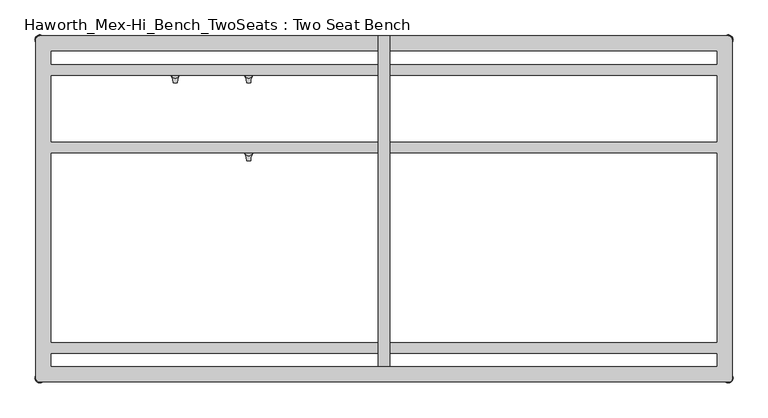
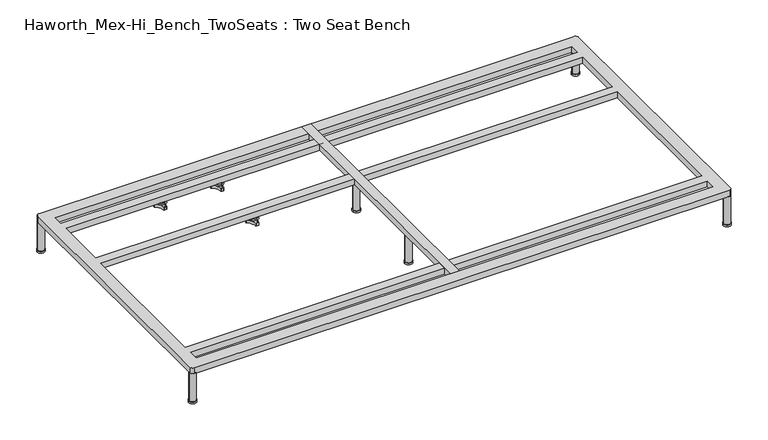
"""IFC4 building model written with IfcOpenShell, lengths in millimetres: furniture geometry, Haworth_Mex-Hi_Bench_TwoSeats : Two Seat Bench."""

from ifc_helpers import new_model, si_unit, point, frame, frame_2d, origin, origin_with_axes, place, context, project, spatial, polyline, circle_curve, trimmed, segment, composite_curve, outline, extrude, source, transform, mapped, element, save
from ifc_brep_helpers import plane_surface, cylinder_surface, revolved_surface, advanced_brep


def haworth_mex_hi_bench_twoseats_two_seat_bench_9e624aa6(model_context):
    return source(origin(), model_context, "Body", "SolidModel", [
        advanced_brep(
        [(-519.7611937, -130.2721038, 98.611642), (-523.9837819, -137.585841, 98.611642), (-523.585833, -138.7518724, 98.611642), (-507.7665623, -166.1516574, 98.611642), (-506.9557288, -167.0792988, 98.611642), (-498.5105502, -167.0792988, 98.611642), (-497.706022, -165.9895174, 98.611642), (-481.6037689, -138.4877144, 98.611642), (-481.4824919, -137.5858427, 98.611642), (-485.7050818, -130.2721023, 98.611642), (-486.9138653, -130.0337175, 98.611642), (-518.5524137, -130.0337175, 98.611642), (-493.360263, -145.1926245, 98.611642), (-512.2652749, -145.1926245, 98.611642), (-519.7611937, -130.2721038, 88.6531552), (-518.5524137, -130.0337175, 88.6531552), (-486.9138653, -130.0337175, 88.6531552), (-485.7050818, -130.2721023, 88.6531552), (-481.4824919, -137.5858427, 88.6531552), (-481.6037689, -138.4877144, 88.6531552), (-497.706022, -165.9895174, 88.6531552), (-498.5105502, -167.0792988, 88.6531552), (-506.9557288, -167.0792988, 88.6531552), (-507.7665623, -166.1516574, 88.6531552), (-523.585833, -138.7518724, 88.6531552), (-523.9837819, -137.585841, 88.6531552), (-512.2652749, -145.1926245, 103.6569541), (-493.360263, -145.1926245, 103.6569541)],
        [
            (0, 1, circle_curve(frame((-501.5017056, -145.690049, 98.611642), z_axis=(0.0, 0.0, 1.0), x_axis=(1.0, 0.0, 0.0)), 23.8981576)),
            (1, 2, circle_curve(frame((-523.0562233, -137.920202, 98.611642), z_axis=(0.0, 0.0, 1.0), x_axis=(1.0, 0.0, 0.0)), 0.9859828)),
            (2, 3, circle_curve(frame((-541.981203, -167.6389644, 98.611642), z_axis=(0.0, 0.0, -1.0), x_axis=(1.0, 0.0, 0.0)), 34.246952)),
            (3, 4, circle_curve(frame((-506.7815189, -166.1088376, 98.611642), z_axis=(0.0, 0.0, 1.0), x_axis=(1.0, 0.0, 0.0)), 0.9859736)),
            (4, 5, circle_curve(frame((-502.7331395, -143.5567534, 98.611642), z_axis=(0.0, 0.0, 1.0), x_axis=(1.0, 0.0, 0.0)), 23.8985439)),
            (5, 6, circle_curve(frame((-498.6847621, -166.1088262, 98.611642), z_axis=(0.0, 0.0, 1.0), x_axis=(1.0, 0.0, 0.0)), 0.9859852)),
            (6, 7, circle_curve(frame((-463.4843483, -167.5614211, 98.611642), z_axis=(0.0, 0.0, -1.0), x_axis=(1.0, 0.0, 0.0)), 34.2577557)),
            (7, 8, circle_curve(frame((-482.4100533, -137.9202011, 98.611642), z_axis=(0.0, 0.0, 1.0), x_axis=(1.0, 0.0, 0.0)), 0.9859847)),
            (8, 9, circle_curve(frame((-503.9641822, -145.6898258, 98.611642), z_axis=(0.0, 0.0, 1.0), x_axis=(1.0, 0.0, 0.0)), 23.8977184)),
            (9, 10, circle_curve(frame((-486.4584281, -130.9082171, 98.611642), z_axis=(0.0, 0.0, 1.0), x_axis=(1.0, 0.0, 0.0)), 0.9859881)),
            (10, 11, circle_curve(frame((-502.7331395, -99.6586209, 98.611642), z_axis=(0.0, 0.0, -1.0), x_axis=(1.0, 0.0, 0.0)), 34.2475683)),
            (11, 0, circle_curve(frame((-519.0078488, -130.9082131, 98.611642), z_axis=(0.0, 0.0, 1.0), x_axis=(1.0, 0.0, 0.0)), 0.9859835)),
            (12, 13, circle_curve(frame((-502.8127689, -145.1926245, 98.611642), z_axis=(0.0, 0.0, -1.0), x_axis=(1.0, 0.0, 0.0)), 9.452506)),
            (13, 12, circle_curve(frame((-502.8127689, -145.1926245, 98.611642), z_axis=(0.0, 0.0, -1.0), x_axis=(1.0, 0.0, 0.0)), 9.452506)),
            (14, 15, circle_curve(frame((-519.0078488, -130.9082131, 88.6531552), z_axis=(0.0, 0.0, -1.0), x_axis=(1.0, 0.0, 0.0)), 0.9859835)),
            (15, 16, circle_curve(frame((-502.7331395, -99.6586209, 88.6531552), z_axis=(0.0, 0.0, 1.0), x_axis=(1.0, 0.0, 0.0)), 34.2475683)),
            (16, 17, circle_curve(frame((-486.4584281, -130.9082171, 88.6531552), z_axis=(0.0, 0.0, -1.0), x_axis=(1.0, 0.0, 0.0)), 0.9859881)),
            (17, 18, circle_curve(frame((-503.9641822, -145.6898258, 88.6531552), z_axis=(0.0, 0.0, -1.0), x_axis=(1.0, 0.0, 0.0)), 23.8977184)),
            (18, 19, circle_curve(frame((-482.4100533, -137.9202011, 88.6531552), z_axis=(0.0, 0.0, -1.0), x_axis=(1.0, 0.0, 0.0)), 0.9859847)),
            (19, 20, circle_curve(frame((-463.4843483, -167.5614211, 88.6531552), z_axis=(0.0, 0.0, 1.0), x_axis=(1.0, 0.0, 0.0)), 34.2577557)),
            (20, 21, circle_curve(frame((-498.6847621, -166.1088262, 88.6531552), z_axis=(0.0, 0.0, -1.0), x_axis=(1.0, 0.0, 0.0)), 0.9859852)),
            (21, 22, circle_curve(frame((-502.7331395, -143.5567534, 88.6531552), z_axis=(0.0, 0.0, -1.0), x_axis=(1.0, 0.0, 0.0)), 23.8985439)),
            (22, 23, circle_curve(frame((-506.7815189, -166.1088376, 88.6531552), z_axis=(0.0, 0.0, -1.0), x_axis=(1.0, 0.0, 0.0)), 0.9859736)),
            (23, 24, circle_curve(frame((-541.981203, -167.6389644, 88.6531552), z_axis=(0.0, 0.0, 1.0), x_axis=(1.0, 0.0, 0.0)), 34.246952)),
            (24, 25, circle_curve(frame((-523.0562233, -137.920202, 88.6531552), z_axis=(0.0, 0.0, -1.0), x_axis=(1.0, 0.0, 0.0)), 0.9859828)),
            (25, 14, circle_curve(frame((-501.5017056, -145.690049, 88.6531552), z_axis=(0.0, 0.0, -1.0), x_axis=(1.0, 0.0, 0.0)), 23.8981576)),
            (26, 27, circle_curve(frame((-502.8127689, -145.1926245, 103.6569541), z_axis=(0.0, 0.0, 1.0), x_axis=(1.0, 0.0, 0.0)), 9.452506)),
            (27, 26, circle_curve(frame((-502.8127689, -145.1926245, 103.6569541), z_axis=(0.0, 0.0, 1.0), x_axis=(1.0, 0.0, 0.0)), 9.452506)),
            (0, 14),
            (25, 1),
            (24, 2),
            (23, 3),
            (22, 4),
            (21, 5),
            (20, 6),
            (19, 7),
            (18, 8),
            (17, 9),
            (16, 10),
            (15, 11),
            (26, 13),
            (12, 27),
        ],
        [
            plane_surface(frame((-477.603548, -145.690049, 98.611642), z_axis=(0.0, 0.0, 1.0), x_axis=(0.0, 1.0, 0.0))),
            plane_surface(frame((-477.603548, -145.690049, 88.6531552), z_axis=(0.0, 0.0, -1.0), x_axis=(0.0, -1.0, 0.0))),
            plane_surface(frame((-493.360263, -145.1926245, 103.6569541), z_axis=(0.0, 0.0, 1.0), x_axis=(0.0, 1.0, 0.0))),
            cylinder_surface(frame((-501.5017056, -145.690049, 88.6531552), z_axis=(0.0, 0.0, 1.0), x_axis=(1.0, 0.0, 0.0)), 23.8981576),
            cylinder_surface(frame((-523.0562233, -137.920202, 88.6531552), z_axis=(0.0, 0.0, 1.0), x_axis=(1.0, 0.0, 0.0)), 0.9859828),
            revolved_surface(polyline([(-507.73425100000003, -167.6389644, 88.6531552), (-507.73425100000003, -167.6389644, 98.611642)]), (-541.981203, -167.6389644, 88.6531552), (0.0, 0.0, -1.0)),
            cylinder_surface(frame((-506.7815189, -166.1088376, 88.6531552), z_axis=(0.0, 0.0, 1.0), x_axis=(1.0, 0.0, 0.0)), 0.9859736),
            cylinder_surface(frame((-502.7331395, -143.5567534, 88.6531552), z_axis=(0.0, 0.0, 1.0), x_axis=(1.0, 0.0, 0.0)), 23.8985439),
            cylinder_surface(frame((-498.6847621, -166.1088262, 88.6531552), z_axis=(0.0, 0.0, 1.0), x_axis=(1.0, 0.0, 0.0)), 0.9859852),
            revolved_surface(polyline([(-429.2265926, -167.5614211, 88.6531552), (-429.2265926, -167.5614211, 98.611642)]), (-463.4843483, -167.5614211, 88.6531552), (0.0, 0.0, -1.0)),
            cylinder_surface(frame((-482.4100533, -137.9202011, 88.6531552), z_axis=(0.0, 0.0, 1.0), x_axis=(1.0, 0.0, 0.0)), 0.9859847),
            cylinder_surface(frame((-503.9641822, -145.6898258, 88.6531552), z_axis=(0.0, 0.0, 1.0), x_axis=(1.0, 0.0, 0.0)), 23.8977184),
            cylinder_surface(frame((-486.4584281, -130.9082171, 88.6531552), z_axis=(0.0, 0.0, 1.0), x_axis=(1.0, 0.0, 0.0)), 0.9859881),
            revolved_surface(polyline([(-468.4855712, -99.6586209, 88.6531552), (-468.4855712, -99.6586209, 98.611642)]), (-502.7331395, -99.6586209, 88.6531552), (0.0, 0.0, -1.0)),
            cylinder_surface(frame((-519.0078488, -130.9082131, 88.6531552), z_axis=(0.0, 0.0, 1.0), x_axis=(1.0, 0.0, 0.0)), 0.9859835),
            cylinder_surface(frame((-502.8127689, -145.1926245, 98.611642), z_axis=(0.0, 0.0, 1.0), x_axis=(1.0, 0.0, 0.0)), 9.452506),
        ],
        [
            (0, [[1, 2, 3, 4, 5, 6, 7, 8, 9, 10, 11, 12], [13, 14]]),
            (1, [[15, 16, 17, 18, 19, 20, 21, 22, 23, 24, 25, 26]]),
            (2, [[27, 28]]),
            (3, [[-1, 29, -26, 30]]),
            (4, [[-2, -30, -25, 31]]),
            (5, [[-3, -31, -24, 32]]),
            (6, [[-4, -32, -23, 33]]),
            (7, [[-5, -33, -22, 34]]),
            (8, [[-6, -34, -21, 35]]),
            (9, [[-7, -35, -20, 36]]),
            (10, [[-8, -36, -19, 37]]),
            (11, [[-9, -37, -18, 38]]),
            (12, [[-10, -38, -17, 39]]),
            (13, [[-11, -39, -16, 40]]),
            (14, [[-12, -40, -15, -29]]),
            (15, [[-27, 41, -13, 42]]),
            (15, [[-28, -42, -14, -41]]),
        ],
    ),
        advanced_brep(
        [(-519.7611937, 69.7278978, 98.611642), (-523.9837819, 62.4141605, 98.611642), (-523.585833, 61.2481292, 98.611642), (-507.7665623, 33.8483441, 98.611642), (-506.9557288, 32.9207027, 98.611642), (-498.5105502, 32.9207027, 98.611642), (-497.706022, 34.0104841, 98.611642), (-481.6037689, 61.5122871, 98.611642), (-481.4824919, 62.4141588, 98.611642), (-485.7050818, 69.7278992, 98.611642), (-486.9138653, 69.966284, 98.611642), (-518.5524137, 69.966284, 98.611642), (-493.360263, 54.807377, 98.611642), (-512.2652749, 54.807377, 98.611642), (-519.7611937, 69.7278978, 88.6531552), (-518.5524137, 69.966284, 88.6531552), (-486.9138653, 69.966284, 88.6531552), (-485.7050818, 69.7278992, 88.6531552), (-481.4824919, 62.4141588, 88.6531552), (-481.6037689, 61.5122871, 88.6531552), (-497.706022, 34.0104841, 88.6531552), (-498.5105502, 32.9207027, 88.6531552), (-506.9557288, 32.9207027, 88.6531552), (-507.7665623, 33.8483441, 88.6531552), (-523.585833, 61.2481292, 88.6531552), (-523.9837819, 62.4141605, 88.6531552), (-512.2652749, 54.807377, 103.6569541), (-493.360263, 54.807377, 103.6569541)],
        [
            (0, 1, circle_curve(frame((-501.5017056, 54.3099526, 98.611642), z_axis=(0.0, 0.0, 1.0), x_axis=(1.0, 0.0, 0.0)), 23.8981576)),
            (1, 2, circle_curve(frame((-523.0562233, 62.0797996, 98.611642), z_axis=(0.0, 0.0, 1.0), x_axis=(1.0, 0.0, 0.0)), 0.9859828)),
            (2, 3, circle_curve(frame((-541.981203, 32.3610372, 98.611642), z_axis=(0.0, 0.0, -1.0), x_axis=(1.0, 0.0, 0.0)), 34.246952)),
            (3, 4, circle_curve(frame((-506.7815189, 33.8911639, 98.611642), z_axis=(0.0, 0.0, 1.0), x_axis=(1.0, 0.0, 0.0)), 0.9859736)),
            (4, 5, circle_curve(frame((-502.7331395, 56.4432481, 98.611642), z_axis=(0.0, 0.0, 1.0), x_axis=(1.0, 0.0, 0.0)), 23.8985439)),
            (5, 6, circle_curve(frame((-498.6847621, 33.8911753, 98.611642), z_axis=(0.0, 0.0, 1.0), x_axis=(1.0, 0.0, 0.0)), 0.9859852)),
            (6, 7, circle_curve(frame((-463.4843483, 32.4385804, 98.611642), z_axis=(0.0, 0.0, -1.0), x_axis=(1.0, 0.0, 0.0)), 34.2577557)),
            (7, 8, circle_curve(frame((-482.4100533, 62.0798004, 98.611642), z_axis=(0.0, 0.0, 1.0), x_axis=(1.0, 0.0, 0.0)), 0.9859847)),
            (8, 9, circle_curve(frame((-503.9641822, 54.3101757, 98.611642), z_axis=(0.0, 0.0, 1.0), x_axis=(1.0, 0.0, 0.0)), 23.8977184)),
            (9, 10, circle_curve(frame((-486.4584281, 69.0917844, 98.611642), z_axis=(0.0, 0.0, 1.0), x_axis=(1.0, 0.0, 0.0)), 0.9859881)),
            (10, 11, circle_curve(frame((-502.7331395, 100.3413806, 98.611642), z_axis=(0.0, 0.0, -1.0), x_axis=(1.0, 0.0, 0.0)), 34.2475683)),
            (11, 0, circle_curve(frame((-519.0078488, 69.0917885, 98.611642), z_axis=(0.0, 0.0, 1.0), x_axis=(1.0, 0.0, 0.0)), 0.9859835)),
            (12, 13, circle_curve(frame((-502.8127689, 54.807377, 98.611642), z_axis=(0.0, 0.0, -1.0), x_axis=(1.0, 0.0, 0.0)), 9.452506)),
            (13, 12, circle_curve(frame((-502.8127689, 54.807377, 98.611642), z_axis=(0.0, 0.0, -1.0), x_axis=(1.0, 0.0, 0.0)), 9.452506)),
            (14, 15, circle_curve(frame((-519.0078488, 69.0917885, 88.6531552), z_axis=(0.0, 0.0, -1.0), x_axis=(1.0, 0.0, 0.0)), 0.9859835)),
            (15, 16, circle_curve(frame((-502.7331395, 100.3413806, 88.6531552), z_axis=(0.0, 0.0, 1.0), x_axis=(1.0, 0.0, 0.0)), 34.2475683)),
            (16, 17, circle_curve(frame((-486.4584281, 69.0917844, 88.6531552), z_axis=(0.0, 0.0, -1.0), x_axis=(1.0, 0.0, 0.0)), 0.9859881)),
            (17, 18, circle_curve(frame((-503.9641822, 54.3101757, 88.6531552), z_axis=(0.0, 0.0, -1.0), x_axis=(1.0, 0.0, 0.0)), 23.8977184)),
            (18, 19, circle_curve(frame((-482.4100533, 62.0798004, 88.6531552), z_axis=(0.0, 0.0, -1.0), x_axis=(1.0, 0.0, 0.0)), 0.9859847)),
            (19, 20, circle_curve(frame((-463.4843483, 32.4385804, 88.6531552), z_axis=(0.0, 0.0, 1.0), x_axis=(1.0, 0.0, 0.0)), 34.2577557)),
            (20, 21, circle_curve(frame((-498.6847621, 33.8911753, 88.6531552), z_axis=(0.0, 0.0, -1.0), x_axis=(1.0, 0.0, 0.0)), 0.9859852)),
            (21, 22, circle_curve(frame((-502.7331395, 56.4432481, 88.6531552), z_axis=(0.0, 0.0, -1.0), x_axis=(1.0, 0.0, 0.0)), 23.8985439)),
            (22, 23, circle_curve(frame((-506.7815189, 33.8911639, 88.6531552), z_axis=(0.0, 0.0, -1.0), x_axis=(1.0, 0.0, 0.0)), 0.9859736)),
            (23, 24, circle_curve(frame((-541.981203, 32.3610372, 88.6531552), z_axis=(0.0, 0.0, 1.0), x_axis=(1.0, 0.0, 0.0)), 34.246952)),
            (24, 25, circle_curve(frame((-523.0562233, 62.0797996, 88.6531552), z_axis=(0.0, 0.0, -1.0), x_axis=(1.0, 0.0, 0.0)), 0.9859828)),
            (25, 14, circle_curve(frame((-501.5017056, 54.3099526, 88.6531552), z_axis=(0.0, 0.0, -1.0), x_axis=(1.0, 0.0, 0.0)), 23.8981576)),
            (26, 27, circle_curve(frame((-502.8127689, 54.807377, 103.6569541), z_axis=(0.0, 0.0, 1.0), x_axis=(1.0, 0.0, 0.0)), 9.452506)),
            (27, 26, circle_curve(frame((-502.8127689, 54.807377, 103.6569541), z_axis=(0.0, 0.0, 1.0), x_axis=(1.0, 0.0, 0.0)), 9.452506)),
            (0, 14),
            (25, 1),
            (24, 2),
            (23, 3),
            (22, 4),
            (21, 5),
            (20, 6),
            (19, 7),
            (18, 8),
            (17, 9),
            (16, 10),
            (15, 11),
            (26, 13),
            (12, 27),
        ],
        [
            plane_surface(frame((-477.603548, 54.3099526, 98.611642), z_axis=(0.0, 0.0, 1.0), x_axis=(0.0, 1.0, 0.0))),
            plane_surface(frame((-477.603548, 54.3099526, 88.6531552), z_axis=(0.0, 0.0, -1.0), x_axis=(0.0, -1.0, 0.0))),
            plane_surface(frame((-493.360263, 54.807377, 103.6569541), z_axis=(0.0, 0.0, 1.0), x_axis=(0.0, 1.0, 0.0))),
            cylinder_surface(frame((-501.5017056, 54.3099526, 88.6531552), z_axis=(0.0, 0.0, 1.0), x_axis=(1.0, 0.0, 0.0)), 23.8981576),
            cylinder_surface(frame((-523.0562233, 62.0797996, 88.6531552), z_axis=(0.0, 0.0, 1.0), x_axis=(1.0, 0.0, 0.0)), 0.9859828),
            revolved_surface(polyline([(-507.73425100000003, 32.3610372, 88.6531552), (-507.73425100000003, 32.3610372, 98.611642)]), (-541.981203, 32.3610372, 88.6531552), (0.0, 0.0, -1.0)),
            cylinder_surface(frame((-506.7815189, 33.8911639, 88.6531552), z_axis=(0.0, 0.0, 1.0), x_axis=(1.0, 0.0, 0.0)), 0.9859736),
            cylinder_surface(frame((-502.7331395, 56.4432481, 88.6531552), z_axis=(0.0, 0.0, 1.0), x_axis=(1.0, 0.0, 0.0)), 23.8985439),
            cylinder_surface(frame((-498.6847621, 33.8911753, 88.6531552), z_axis=(0.0, 0.0, 1.0), x_axis=(1.0, 0.0, 0.0)), 0.9859852),
            revolved_surface(polyline([(-429.2265926, 32.4385804, 88.6531552), (-429.2265926, 32.4385804, 98.611642)]), (-463.4843483, 32.4385804, 88.6531552), (0.0, 0.0, -1.0)),
            cylinder_surface(frame((-482.4100533, 62.0798004, 88.6531552), z_axis=(0.0, 0.0, 1.0), x_axis=(1.0, 0.0, 0.0)), 0.9859847),
            cylinder_surface(frame((-503.9641822, 54.3101757, 88.6531552), z_axis=(0.0, 0.0, 1.0), x_axis=(1.0, 0.0, 0.0)), 23.8977184),
            cylinder_surface(frame((-486.4584281, 69.0917844, 88.6531552), z_axis=(0.0, 0.0, 1.0), x_axis=(1.0, 0.0, 0.0)), 0.9859881),
            revolved_surface(polyline([(-468.4855712, 100.3413806, 88.6531552), (-468.4855712, 100.3413806, 98.611642)]), (-502.7331395, 100.3413806, 88.6531552), (0.0, 0.0, -1.0)),
            cylinder_surface(frame((-519.0078488, 69.0917885, 88.6531552), z_axis=(0.0, 0.0, 1.0), x_axis=(1.0, 0.0, 0.0)), 0.9859835),
            cylinder_surface(frame((-502.8127689, 54.807377, 98.611642), z_axis=(0.0, 0.0, 1.0), x_axis=(1.0, 0.0, 0.0)), 9.452506),
        ],
        [
            (0, [[1, 2, 3, 4, 5, 6, 7, 8, 9, 10, 11, 12], [13, 14]]),
            (1, [[15, 16, 17, 18, 19, 20, 21, 22, 23, 24, 25, 26]]),
            (2, [[27, 28]]),
            (3, [[-1, 29, -26, 30]]),
            (4, [[-2, -30, -25, 31]]),
            (5, [[-3, -31, -24, 32]]),
            (6, [[-4, -32, -23, 33]]),
            (7, [[-5, -33, -22, 34]]),
            (8, [[-6, -34, -21, 35]]),
            (9, [[-7, -35, -20, 36]]),
            (10, [[-8, -36, -19, 37]]),
            (11, [[-9, -37, -18, 38]]),
            (12, [[-10, -38, -17, 39]]),
            (13, [[-11, -39, -16, 40]]),
            (14, [[-12, -40, -15, -29]]),
            (15, [[-27, 41, -13, 42]]),
            (15, [[-28, -42, -14, -41]]),
        ],
    ),
        advanced_brep(
        [(-708.6567178, 69.7278978, 98.611642), (-712.879306, 62.4141605, 98.611642), (-712.4813572, 61.2481292, 98.611642), (-696.6620864, 33.8483441, 98.611642), (-695.8512529, 32.9207027, 98.611642), (-687.4060744, 32.9207027, 98.611642), (-686.6015461, 34.0104841, 98.611642), (-670.4992931, 61.5122871, 98.611642), (-670.378016, 62.4141588, 98.611642), (-674.600606, 69.7278992, 98.611642), (-675.8093894, 69.966284, 98.611642), (-707.4479379, 69.966284, 98.611642), (-682.2557871, 54.807377, 98.611642), (-701.160799, 54.807377, 98.611642), (-708.6567178, 69.7278978, 88.6531552), (-707.4479379, 69.966284, 88.6531552), (-675.8093894, 69.966284, 88.6531552), (-674.600606, 69.7278992, 88.6531552), (-670.378016, 62.4141588, 88.6531552), (-670.4992931, 61.5122871, 88.6531552), (-686.6015461, 34.0104841, 88.6531552), (-687.4060744, 32.9207027, 88.6531552), (-695.8512529, 32.9207027, 88.6531552), (-696.6620864, 33.8483441, 88.6531552), (-712.4813572, 61.2481292, 88.6531552), (-712.879306, 62.4141605, 88.6531552), (-701.160799, 54.807377, 103.6569541), (-682.2557871, 54.807377, 103.6569541)],
        [
            (0, 1, circle_curve(frame((-690.3972298, 54.3099526, 98.611642), z_axis=(0.0, 0.0, 1.0), x_axis=(1.0, 0.0, 0.0)), 23.8981576)),
            (1, 2, circle_curve(frame((-711.9517474, 62.0797996, 98.611642), z_axis=(0.0, 0.0, 1.0), x_axis=(1.0, 0.0, 0.0)), 0.9859828)),
            (2, 3, circle_curve(frame((-730.8767271, 32.3610372, 98.611642), z_axis=(0.0, 0.0, -1.0), x_axis=(1.0, 0.0, 0.0)), 34.246952)),
            (3, 4, circle_curve(frame((-695.6770431, 33.8911639, 98.611642), z_axis=(0.0, 0.0, 1.0), x_axis=(1.0, 0.0, 0.0)), 0.9859736)),
            (4, 5, circle_curve(frame((-691.6286636, 56.4432481, 98.611642), z_axis=(0.0, 0.0, 1.0), x_axis=(1.0, 0.0, 0.0)), 23.8985439)),
            (5, 6, circle_curve(frame((-687.5802862, 33.8911753, 98.611642), z_axis=(0.0, 0.0, 1.0), x_axis=(1.0, 0.0, 0.0)), 0.9859852)),
            (6, 7, circle_curve(frame((-652.3798725, 32.4385804, 98.611642), z_axis=(0.0, 0.0, -1.0), x_axis=(1.0, 0.0, 0.0)), 34.2577557)),
            (7, 8, circle_curve(frame((-671.3055775, 62.0798004, 98.611642), z_axis=(0.0, 0.0, 1.0), x_axis=(1.0, 0.0, 0.0)), 0.9859847)),
            (8, 9, circle_curve(frame((-692.8597064, 54.3101757, 98.611642), z_axis=(0.0, 0.0, 1.0), x_axis=(1.0, 0.0, 0.0)), 23.8977184)),
            (9, 10, circle_curve(frame((-675.3539522, 69.0917844, 98.611642), z_axis=(0.0, 0.0, 1.0), x_axis=(1.0, 0.0, 0.0)), 0.9859881)),
            (10, 11, circle_curve(frame((-691.6286636, 100.3413806, 98.611642), z_axis=(0.0, 0.0, -1.0), x_axis=(1.0, 0.0, 0.0)), 34.2475683)),
            (11, 0, circle_curve(frame((-707.9033729, 69.0917885, 98.611642), z_axis=(0.0, 0.0, 1.0), x_axis=(1.0, 0.0, 0.0)), 0.9859835)),
            (12, 13, circle_curve(frame((-691.7082931, 54.807377, 98.611642), z_axis=(0.0, 0.0, -1.0), x_axis=(1.0, 0.0, 0.0)), 9.452506)),
            (13, 12, circle_curve(frame((-691.7082931, 54.807377, 98.611642), z_axis=(0.0, 0.0, -1.0), x_axis=(1.0, 0.0, 0.0)), 9.452506)),
            (14, 15, circle_curve(frame((-707.9033729, 69.0917885, 88.6531552), z_axis=(0.0, 0.0, -1.0), x_axis=(1.0, 0.0, 0.0)), 0.9859835)),
            (15, 16, circle_curve(frame((-691.6286636, 100.3413806, 88.6531552), z_axis=(0.0, 0.0, 1.0), x_axis=(1.0, 0.0, 0.0)), 34.2475683)),
            (16, 17, circle_curve(frame((-675.3539522, 69.0917844, 88.6531552), z_axis=(0.0, 0.0, -1.0), x_axis=(1.0, 0.0, 0.0)), 0.9859881)),
            (17, 18, circle_curve(frame((-692.8597064, 54.3101757, 88.6531552), z_axis=(0.0, 0.0, -1.0), x_axis=(1.0, 0.0, 0.0)), 23.8977184)),
            (18, 19, circle_curve(frame((-671.3055775, 62.0798004, 88.6531552), z_axis=(0.0, 0.0, -1.0), x_axis=(1.0, 0.0, 0.0)), 0.9859847)),
            (19, 20, circle_curve(frame((-652.3798725, 32.4385804, 88.6531552), z_axis=(0.0, 0.0, 1.0), x_axis=(1.0, 0.0, 0.0)), 34.2577557)),
            (20, 21, circle_curve(frame((-687.5802862, 33.8911753, 88.6531552), z_axis=(0.0, 0.0, -1.0), x_axis=(1.0, 0.0, 0.0)), 0.9859852)),
            (21, 22, circle_curve(frame((-691.6286636, 56.4432481, 88.6531552), z_axis=(0.0, 0.0, -1.0), x_axis=(1.0, 0.0, 0.0)), 23.8985439)),
            (22, 23, circle_curve(frame((-695.6770431, 33.8911639, 88.6531552), z_axis=(0.0, 0.0, -1.0), x_axis=(1.0, 0.0, 0.0)), 0.9859736)),
            (23, 24, circle_curve(frame((-730.8767271, 32.3610372, 88.6531552), z_axis=(0.0, 0.0, 1.0), x_axis=(1.0, 0.0, 0.0)), 34.246952)),
            (24, 25, circle_curve(frame((-711.9517474, 62.0797996, 88.6531552), z_axis=(0.0, 0.0, -1.0), x_axis=(1.0, 0.0, 0.0)), 0.9859828)),
            (25, 14, circle_curve(frame((-690.3972298, 54.3099526, 88.6531552), z_axis=(0.0, 0.0, -1.0), x_axis=(1.0, 0.0, 0.0)), 23.8981576)),
            (26, 27, circle_curve(frame((-691.7082931, 54.807377, 103.6569541), z_axis=(0.0, 0.0, 1.0), x_axis=(1.0, 0.0, 0.0)), 9.452506)),
            (27, 26, circle_curve(frame((-691.7082931, 54.807377, 103.6569541), z_axis=(0.0, 0.0, 1.0), x_axis=(1.0, 0.0, 0.0)), 9.452506)),
            (0, 14),
            (25, 1),
            (24, 2),
            (23, 3),
            (22, 4),
            (21, 5),
            (20, 6),
            (19, 7),
            (18, 8),
            (17, 9),
            (16, 10),
            (15, 11),
            (26, 13),
            (12, 27),
        ],
        [
            plane_surface(frame((-666.4990722, 54.3099526, 98.611642), z_axis=(0.0, 0.0, 1.0), x_axis=(0.0, 1.0, 0.0))),
            plane_surface(frame((-666.4990722, 54.3099526, 88.6531552), z_axis=(0.0, 0.0, -1.0), x_axis=(0.0, -1.0, 0.0))),
            plane_surface(frame((-682.2557871, 54.807377, 103.6569541), z_axis=(0.0, 0.0, 1.0), x_axis=(0.0, 1.0, 0.0))),
            cylinder_surface(frame((-690.3972298, 54.3099526, 88.6531552), z_axis=(0.0, 0.0, 1.0), x_axis=(1.0, 0.0, 0.0)), 23.8981576),
            cylinder_surface(frame((-711.9517474, 62.0797996, 88.6531552), z_axis=(0.0, 0.0, 1.0), x_axis=(1.0, 0.0, 0.0)), 0.9859828),
            revolved_surface(polyline([(-696.6297751000001, 32.3610372, 88.6531552), (-696.6297751000001, 32.3610372, 98.611642)]), (-730.8767271, 32.3610372, 88.6531552), (0.0, 0.0, -1.0)),
            cylinder_surface(frame((-695.6770431, 33.8911639, 88.6531552), z_axis=(0.0, 0.0, 1.0), x_axis=(1.0, 0.0, 0.0)), 0.9859736),
            cylinder_surface(frame((-691.6286636, 56.4432481, 88.6531552), z_axis=(0.0, 0.0, 1.0), x_axis=(1.0, 0.0, 0.0)), 23.8985439),
            cylinder_surface(frame((-687.5802862, 33.8911753, 88.6531552), z_axis=(0.0, 0.0, 1.0), x_axis=(1.0, 0.0, 0.0)), 0.9859852),
            revolved_surface(polyline([(-618.1221168000001, 32.4385804, 88.6531552), (-618.1221168000001, 32.4385804, 98.611642)]), (-652.3798725, 32.4385804, 88.6531552), (0.0, 0.0, -1.0)),
            cylinder_surface(frame((-671.3055775, 62.0798004, 88.6531552), z_axis=(0.0, 0.0, 1.0), x_axis=(1.0, 0.0, 0.0)), 0.9859847),
            cylinder_surface(frame((-692.8597064, 54.3101757, 88.6531552), z_axis=(0.0, 0.0, 1.0), x_axis=(1.0, 0.0, 0.0)), 23.8977184),
            cylinder_surface(frame((-675.3539522, 69.0917844, 88.6531552), z_axis=(0.0, 0.0, 1.0), x_axis=(1.0, 0.0, 0.0)), 0.9859881),
            revolved_surface(polyline([(-657.3810953, 100.3413806, 88.6531552), (-657.3810953, 100.3413806, 98.611642)]), (-691.6286636, 100.3413806, 88.6531552), (0.0, 0.0, -1.0)),
            cylinder_surface(frame((-707.9033729, 69.0917885, 88.6531552), z_axis=(0.0, 0.0, 1.0), x_axis=(1.0, 0.0, 0.0)), 0.9859835),
            cylinder_surface(frame((-691.7082931, 54.807377, 98.611642), z_axis=(0.0, 0.0, 1.0), x_axis=(1.0, 0.0, 0.0)), 9.452506),
        ],
        [
            (0, [[1, 2, 3, 4, 5, 6, 7, 8, 9, 10, 11, 12], [13, 14]]),
            (1, [[15, 16, 17, 18, 19, 20, 21, 22, 23, 24, 25, 26]]),
            (2, [[27, 28]]),
            (3, [[-1, 29, -26, 30]]),
            (4, [[-2, -30, -25, 31]]),
            (5, [[-3, -31, -24, 32]]),
            (6, [[-4, -32, -23, 33]]),
            (7, [[-5, -33, -22, 34]]),
            (8, [[-6, -34, -21, 35]]),
            (9, [[-7, -35, -20, 36]]),
            (10, [[-8, -36, -19, 37]]),
            (11, [[-9, -37, -18, 38]]),
            (12, [[-10, -38, -17, 39]]),
            (13, [[-11, -39, -16, 40]]),
            (14, [[-12, -40, -15, -29]]),
            (15, [[-27, 41, -13, 42]]),
            (15, [[-28, -42, -14, -41]]),
        ],
    ),
        extrude(outline(composite_curve([segment(trimmed(circle_curve(frame_2d((-155.4452882, -433.7002937)), 10.4664203), [point((-165.9117085, -433.7002937))], [point((-144.9788678, -433.7002937))], False, "CARTESIAN"), True, "CONTINUOUS"), segment(trimmed(circle_curve(frame_2d((-155.4452882, -433.7002937)), 10.4664203), [point((-144.9788678, -433.7002937))], [point((-165.9117085, -433.7002937))], False, "CARTESIAN"), True, "CONTINUOUS")], self_intersect=False)), origin_with_axes(), (0.0, 0.0, 1.0), 103.6569541),
        extrude(outline(composite_curve([segment(trimmed(circle_curve(frame_2d((-155.4452882, -133.6667163)), 10.4664203), [point((-165.9117085, -133.6667163))], [point((-144.9788678, -133.6667163))], False, "CARTESIAN"), True, "CONTINUOUS"), segment(trimmed(circle_curve(frame_2d((-155.4452882, -133.6667163)), 10.4664203), [point((-144.9788678, -133.6667163))], [point((-165.9117085, -133.6667163))], False, "CARTESIAN"), True, "CONTINUOUS")], self_intersect=False)), origin_with_axes(), (0.0, 0.0, 1.0), 103.6569541),
        extrude(outline(composite_curve([segment(trimmed(circle_curve(frame_2d((-155.4452882, -433.7002937)), 12.5000005), [point((-167.9452886, -433.7002937))], [point((-142.9452877, -433.7002937))], False, "CARTESIAN"), True, "CONTINUOUS"), segment(trimmed(circle_curve(frame_2d((-155.4452882, -433.7002937)), 12.5000005), [point((-142.9452877, -433.7002937))], [point((-167.9452886, -433.7002937))], False, "CARTESIAN"), True, "CONTINUOUS")], self_intersect=False)), origin_with_axes(), (0.0, 0.0, 1.0), 6.0),
        extrude(outline(composite_curve([segment(trimmed(circle_curve(frame_2d((-155.4452882, -133.6667163)), 12.5000005), [point((-167.9452886, -133.6667163))], [point((-142.9452877, -133.6667163))], False, "CARTESIAN"), True, "CONTINUOUS"), segment(trimmed(circle_curve(frame_2d((-155.4452882, -133.6667163)), 12.5000005), [point((-142.9452877, -133.6667163))], [point((-167.9452886, -133.6667163))], False, "CARTESIAN"), True, "CONTINUOUS")], self_intersect=False)), origin_with_axes(), (0.0, 0.0, 1.0), 6.0),
        extrude(outline(polyline([(-169.7406049, -696.2002953), (-169.7406049, 153.6358637), (-139.7406192, 153.6358637), (-139.7406192, -696.2002953), (-169.7406049, -696.2002953)])), frame((0.0, 0.0, 103.6569541), z_axis=(0.0, 0.0, 1.0), x_axis=(1.0, 0.0, 0.0)), (0.0, 0.0, 1.0), 20.3430443),
        extrude(outline(composite_curve([segment(trimmed(circle_curve(frame_2d((-1040.100311, 143.787786)), 12.5000005), [point((-1052.6003115, 143.787786))], [point((-1027.6003105, 143.787786))], False, "CARTESIAN"), True, "CONTINUOUS"), segment(trimmed(circle_curve(frame_2d((-1040.100311, 143.787786)), 12.5000005), [point((-1027.6003105, 143.787786))], [point((-1052.6003115, 143.787786))], False, "CARTESIAN"), True, "CONTINUOUS")], self_intersect=False)), origin_with_axes(), (0.0, 0.0, 1.0), 6.0),
        extrude(outline(composite_curve([segment(trimmed(circle_curve(frame_2d((-1040.100311, -726.2491859)), 12.5000005), [point((-1052.6003115, -726.2491859))], [point((-1027.6003105, -726.2491859))], False, "CARTESIAN"), True, "CONTINUOUS"), segment(trimmed(circle_curve(frame_2d((-1040.100311, -726.2491859)), 12.5000005), [point((-1027.6003105, -726.2491859))], [point((-1052.6003115, -726.2491859))], False, "CARTESIAN"), True, "CONTINUOUS")], self_intersect=False)), origin_with_axes(), (0.0, 0.0, 1.0), 6.0),
        extrude(outline(composite_curve([segment(trimmed(circle_curve(frame_2d((730.7972347, 143.787786)), 12.5000005), [point((718.2972342, 143.787786))], [point((743.2972352, 143.787786))], False, "CARTESIAN"), True, "CONTINUOUS"), segment(trimmed(circle_curve(frame_2d((730.7972347, 143.787786)), 12.5000005), [point((743.2972352, 143.787786))], [point((718.2972342, 143.787786))], False, "CARTESIAN"), True, "CONTINUOUS")], self_intersect=False)), origin_with_axes(), (0.0, 0.0, 1.0), 6.0),
        extrude(outline(composite_curve([segment(trimmed(circle_curve(frame_2d((730.7026028, -726.2033172)), 12.5000005), [point((718.2026024, -726.2033172))], [point((743.2026033, -726.2033172))], False, "CARTESIAN"), True, "CONTINUOUS"), segment(trimmed(circle_curve(frame_2d((730.7026028, -726.2033172)), 12.5000005), [point((743.2026033, -726.2033172))], [point((718.2026024, -726.2033172))], False, "CARTESIAN"), True, "CONTINUOUS")], self_intersect=False)), origin_with_axes(), (0.0, 0.0, 1.0), 6.0),
        extrude(outline(composite_curve([segment(trimmed(circle_curve(frame_2d((-1040.100311, 143.787786)), 10.4664203), [point((-1050.5667314, 143.787786))], [point((-1029.6338907, 143.787786))], False, "CARTESIAN"), True, "CONTINUOUS"), segment(trimmed(circle_curve(frame_2d((-1040.100311, 143.787786)), 10.4664203), [point((-1029.6338907, 143.787786))], [point((-1050.5667314, 143.787786))], False, "CARTESIAN"), True, "CONTINUOUS")], self_intersect=False)), origin_with_axes(), (0.0, 0.0, 1.0), 103.6569541),
        extrude(outline(composite_curve([segment(trimmed(circle_curve(frame_2d((730.7717227, -726.1628448)), 10.4664203), [point((720.3053024, -726.1628448))], [point((741.2381431, -726.1628448))], False, "CARTESIAN"), True, "CONTINUOUS"), segment(trimmed(circle_curve(frame_2d((730.7717227, -726.1628448)), 10.4664203), [point((741.2381431, -726.1628448))], [point((720.3053024, -726.1628448))], False, "CARTESIAN"), True, "CONTINUOUS")], self_intersect=False)), origin_with_axes(), (0.0, 0.0, 1.0), 103.6569541),
        extrude(outline(composite_curve([segment(trimmed(circle_curve(frame_2d((730.8502147, 143.7799368)), 10.4664203), [point((720.3837944, 143.7799368))], [point((741.316635, 143.7799368))], False, "CARTESIAN"), True, "CONTINUOUS"), segment(trimmed(circle_curve(frame_2d((730.8502147, 143.7799368)), 10.4664203), [point((741.316635, 143.7799368))], [point((720.3837944, 143.7799368))], False, "CARTESIAN"), True, "CONTINUOUS")], self_intersect=False)), origin_with_axes(), (0.0, 0.0, 1.0), 103.6569541),
        extrude(outline(composite_curve([segment(trimmed(circle_curve(frame_2d((-1040.0289857, -726.0945909)), 10.4664203), [point((-1050.4954061, -726.0945909))], [point((-1029.5625654, -726.0945909))], False, "CARTESIAN"), True, "CONTINUOUS"), segment(trimmed(circle_curve(frame_2d((-1040.0289857, -726.0945909)), 10.4664203), [point((-1029.5625654, -726.0945909))], [point((-1050.4954061, -726.0945909))], False, "CARTESIAN"), True, "CONTINUOUS")], self_intersect=False)), origin_with_axes(), (0.0, 0.0, 1.0), 103.6569541),
        extrude(outline(composite_curve([segment(polyline([(-1040.5463796, 153.6358637), (731.0651554, 153.6358637)]), True, "CONTINUOUS"), segment(trimmed(circle_curve(frame_2d((731.0651554, 144.0819322)), 9.5539314), [point((731.0651554, 153.6358637))], [point((740.6190868, 144.0819322))], False, "CARTESIAN"), True, "CONTINUOUS"), segment(polyline([(740.6190868, 144.0819322), (740.6190868, -728.9954927)]), True, "CONTINUOUS"), segment(trimmed(circle_curve(frame_2d((733.4261728, -728.9954927)), 7.192914), [point((740.6190868, -728.9954927))], [point((733.4261728, -736.1884068))], False, "CARTESIAN"), True, "CONTINUOUS"), segment(polyline([(733.4261728, -736.1884068), (-1040.2975349, -736.1884068)]), True, "CONTINUOUS"), segment(trimmed(circle_curve(frame_2d((-1040.2975349, -726.3856306)), 9.8027761), [point((-1040.2975349, -736.1884068))], [point((-1050.100311, -726.3856306))], False, "CARTESIAN"), True, "CONTINUOUS"), segment(polyline([(-1050.100311, -726.3856306), (-1050.100311, 144.0819322)]), True, "CONTINUOUS"), segment(trimmed(circle_curve(frame_2d((-1040.5463796, 144.0819322)), 9.5539314), [point((-1050.100311, 144.0819322))], [point((-1040.5463796, 153.6358637))], False, "CARTESIAN"), True, "CONTINUOUS")], self_intersect=False), holes=[polyline([(-1010.1122296, -663.7579623), (-1010.1122296, -696.2002953), (700.7208076, -696.2002953), (700.7208076, -663.7579623), (-1010.1122296, -663.7579623)]), polyline([(-1010.1122296, 113.7997046), (-1010.1122296, 81.2997034), (700.7208076, 81.2997034), (700.7208076, 113.7997046), (-1010.1122296, 113.7997046)]), polyline([(-1010.1122296, -148.700302), (-1010.1122296, -633.7579584), (700.7208076, -633.7579584), (700.7208076, -148.700302), (-1010.1122296, -148.700302)]), polyline([(700.7208076, 51.2996995), (-1010.1122296, 51.2996995), (-1010.1122296, -118.7002981), (700.7208076, -118.7002981), (700.7208076, 51.2996995)])]), frame((0.0, 0.0, 103.6569541), z_axis=(0.0, 0.0, 1.0), x_axis=(1.0, 0.0, 0.0)), (0.0, 0.0, 1.0), 20.3430443),
    ])


if __name__ == "__main__":
    model = new_model("IFC4")
    model_context = context("Model", 3, world=origin())
    ifc_project = project(units=[si_unit("LENGTHUNIT", "METRE", prefix="MILLI")], contexts=[model_context])
    site = spatial("IfcSite", under=ifc_project)
    building = spatial("IfcBuilding", under=site)
    placement = place(None, origin())
    haworth_mex_hi_bench_twoseats_two_seat_bench_shape = haworth_mex_hi_bench_twoseats_two_seat_bench_9e624aa6(model_context)
    element("IfcFurniture", 1, ObjectType="Haworth_Mex-Hi_Bench_TwoSeats : Two Seat Bench", at=placement, inside=building, context=model_context, shape_type="MappedRepresentation", body=[
        mapped(haworth_mex_hi_bench_twoseats_two_seat_bench_shape, transform((0.0, 0.0, 0.0), x_axis=(1.0, 0.0, 0.0), y_axis=(0.0, 1.0, 0.0), z_axis=(0.0, 0.0, 1.0))),
    ])
    save(model, "model.ifc")
